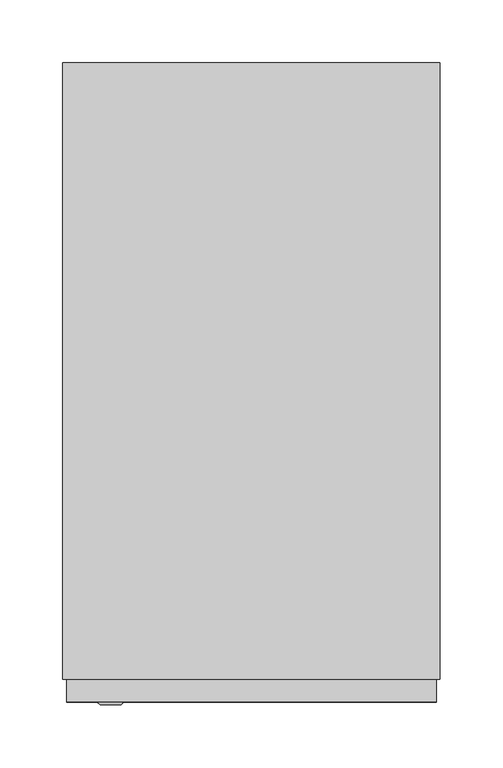
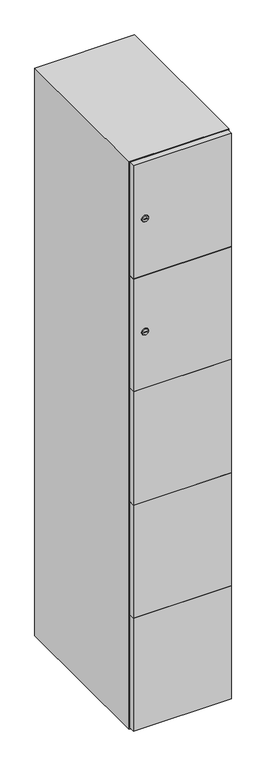
"""IFC4 building model written with IfcOpenShell, lengths in millimetres: furniture geometry."""

import ifcopenshell
import ifcopenshell.guid

model = None  # the IFC model being written
_history = None  # IfcOwnerHistory: only IFC2X3 demands one
_inside = {}  # id of a spatial element -> (the spatial element, [elements in it])
_under = {}  # id of a project, library or spatial element -> (it, [spatial elements below it])
_declared = {}  # id of a project -> (the project, [libraries it declares])
_typed = {}  # id of a type object -> (the type object, [elements of that type])
_made_of = {}  # id of a material, layer set ... -> (it, [elements and type objects made of it])


def new_model(schema):
    """Start an empty IFC model of exactly this schema.

    Asked for "IFC4X3", IfcOpenShell would pick the latest addendum, in which some entities
    have other attributes; the version numbers below select the first issue.
    IFC2X3 requires an IfcOwnerHistory on every rooted entity: one is made here for all.
    """
    global model, _history
    if schema == "IFC4X3":
        model = ifcopenshell.file(schema_version=(4, 3, 0, 0))
    else:
        model = ifcopenshell.file(schema=schema)
    _inside.clear()
    _under.clear()
    _declared.clear()
    _typed.clear()
    _made_of.clear()
    _history = None
    if model.schema == "IFC2X3":
        org = make("IfcOrganization", Name="unknown")
        user = make(
            "IfcPersonAndOrganization",
            ThePerson=make("IfcPerson", FamilyName="unknown"),
            TheOrganization=org,
        )
        app = make(
            "IfcApplication",
            ApplicationDeveloper=org,
            Version="unknown",
            ApplicationFullName="unknown",
            ApplicationIdentifier="unknown",
        )
        _history = make(
            "IfcOwnerHistory",
            OwningUser=user,
            OwningApplication=app,
            ChangeAction="ADDED",
            CreationDate=0,
        )
    return model


def make(cls, **values):
    """One entity of the class cls with the attributes given. An attribute that is None is left unset."""
    return model.create_entity(
        cls, **{name: value for name, value in values.items() if value is not None}
    )


def rooted(cls, **values):
    """An entity with a GlobalId (a new one), such as an element, a storey or a relation."""
    return make(cls, GlobalId=ifcopenshell.guid.new(), OwnerHistory=_history, **values)


def si_unit(unit_type, name, prefix=None):
    """IfcSIUnit, for example si_unit("LENGTHUNIT", "METRE", prefix="MILLI")."""
    return make("IfcSIUnit", UnitType=unit_type, Prefix=prefix, Name=name)


def assignment(units):
    """IfcUnitAssignment: the units of a project."""
    return None if units is None else make("IfcUnitAssignment", Units=units)


def point(xyz):
    """IfcCartesianPoint."""
    return None if xyz is None else make("IfcCartesianPoint", Coordinates=xyz)


def direction(xyz):
    """IfcDirection."""
    return None if xyz is None else make("IfcDirection", DirectionRatios=xyz)


def frame(location, z_axis=None, x_axis=None):
    """IfcAxis2Placement3D, a coordinate frame: its origin and axes. An axis left out is left unset."""
    return make(
        "IfcAxis2Placement3D",
        Location=point(location),
        Axis=direction(z_axis),
        RefDirection=direction(x_axis),
    )


def frame_2d(location, x_axis=None):
    """IfcAxis2Placement2D, a coordinate frame in the plane: its origin and x axis."""
    return make(
        "IfcAxis2Placement2D", Location=point(location), RefDirection=direction(x_axis)
    )


def origin():
    """The frame at (0, 0, 0) with its axes left unset."""
    return frame((0.0, 0.0, 0.0))


def place(relative_to, where):
    """IfcLocalPlacement: puts the frame where relative to a parent placement (None: the world)."""
    return make(
        "IfcLocalPlacement", PlacementRelTo=relative_to, RelativePlacement=where
    )


def context(
    kind, dimensions, precision=None, world=None, true_north=None, identifier=None
):
    """IfcGeometricRepresentationContext, for example the 3D "Model" context."""
    return make(
        "IfcGeometricRepresentationContext",
        ContextIdentifier=identifier,
        ContextType=kind,
        CoordinateSpaceDimension=dimensions,
        Precision=precision,
        WorldCoordinateSystem=world,
        TrueNorth=true_north,
    )


def project(units=None, contexts=None):
    """IfcProject with its units and contexts."""
    return rooted(
        "IfcProject",
        Name="project",
        RepresentationContexts=contexts,
        UnitsInContext=assignment(units),
    )


def spatial(cls, under=None, at=None, **own):
    """A site, building, storey or space (cls), placed at a placement, below another one or the project."""
    s = rooted(cls, ObjectPlacement=at, **own)
    if under is not None:
        _under.setdefault(under.id(), (under, []))[1].append(s)
    return s


def polyline(points):
    """IfcPolyline through the points."""
    return make("IfcPolyline", Points=[point(p) for p in points])


def circle_curve(where, radius):
    """IfcCircle in the frame where."""
    return make("IfcCircle", Position=where, Radius=radius)


def trimmed(basis, trim1, trim2, sense, master):
    """IfcTrimmedCurve: the piece of a basis curve between two trims."""
    return make(
        "IfcTrimmedCurve",
        BasisCurve=basis,
        Trim1=trim1,
        Trim2=trim2,
        SenseAgreement=sense,
        MasterRepresentation=master,
    )


def segment(curve, same_sense, transition):
    """IfcCompositeCurveSegment."""
    return make(
        "IfcCompositeCurveSegment",
        Transition=transition,
        SameSense=same_sense,
        ParentCurve=curve,
    )


def composite_curve(segments, self_intersect=None):
    """IfcCompositeCurve: segments joined end to end."""
    return make("IfcCompositeCurve", Segments=segments, SelfIntersect=self_intersect)


def outline(outer, holes=None, kind="AREA"):
    """IfcArbitraryClosedProfileDef: a profile drawn as a closed curve; with holes, ...WithVoids."""
    if holes is None:
        return make("IfcArbitraryClosedProfileDef", ProfileType=kind, OuterCurve=outer)
    return make(
        "IfcArbitraryProfileDefWithVoids",
        ProfileType=kind,
        OuterCurve=outer,
        InnerCurves=holes,
    )


def extrude(swept, where, along, depth):
    """IfcExtrudedAreaSolid: the profile swept, set in the frame where, extruded along a direction by depth."""
    return make(
        "IfcExtrudedAreaSolid",
        SweptArea=swept,
        Position=where,
        ExtrudedDirection=direction(along),
        Depth=depth,
    )


def faces_of(points, faces, orient=None, outer=None):
    """IfcFace entities. A face is a list of loops; a loop is a list of indices into points, from 0.

    orient and outer hold one flag for each loop. By default every Orientation is true, the
    first loop of a face is its IfcFaceOuterBound and the others are IfcFaceBound.
    """
    made = []
    for i, loops in enumerate(faces):
        bounds = []
        for j, loop in enumerate(loops):
            is_outer = j == 0 if outer is None else outer[i][j]
            bounds.append(
                make(
                    "IfcFaceOuterBound" if is_outer else "IfcFaceBound",
                    Bound=make("IfcPolyLoop", Polygon=[points[k] for k in loop]),
                    Orientation=True if orient is None else orient[i][j],
                )
            )
        made.append(make("IfcFace", Bounds=bounds))
    return made


def faceted_brep(points, faces, orient=None, outer=None, voids=None):
    """IfcFacetedBrep: a solid bounded by flat faces; with voids (closed shells), ...WithVoids."""
    shared = [point(p) for p in points]
    hull = make("IfcClosedShell", CfsFaces=faces_of(shared, faces, orient, outer))
    if voids is None:
        return make("IfcFacetedBrep", Outer=hull)
    return make(
        "IfcFacetedBrepWithVoids",
        Outer=hull,
        Voids=[
            make(cls, CfsFaces=faces_of(shared, fs, o, b)) for cls, fs, o, b in voids
        ],
    )


def shape(context_of_items, identifier, shape_type, items):
    """IfcShapeRepresentation: the items that make up one representation, for example the "Body"."""
    return make(
        "IfcShapeRepresentation",
        ContextOfItems=context_of_items,
        RepresentationIdentifier=identifier,
        RepresentationType=shape_type,
        Items=items,
    )


def source(mapping_origin, context_of_items, identifier, shape_type, items):
    """IfcRepresentationMap: a shape defined once, which mapped items show again and again."""
    return make(
        "IfcRepresentationMap",
        MappingOrigin=mapping_origin,
        MappedRepresentation=shape(context_of_items, identifier, shape_type, items),
    )


def transform(
    local_origin,
    x_axis=None,
    y_axis=None,
    z_axis=None,
    scale=None,
    scale2=None,
    scale3=None,
    uniform=True,
):
    """IfcCartesianTransformationOperator3D, or its non-uniform kind. x_axis, y_axis, z_axis: its Axis1, 2, 3."""
    if uniform:
        return make(
            "IfcCartesianTransformationOperator3D",
            Axis1=direction(x_axis),
            Axis2=direction(y_axis),
            LocalOrigin=point(local_origin),
            Scale=scale,
            Axis3=direction(z_axis),
        )
    return make(
        "IfcCartesianTransformationOperator3DnonUniform",
        Axis1=direction(x_axis),
        Axis2=direction(y_axis),
        LocalOrigin=point(local_origin),
        Scale=scale,
        Axis3=direction(z_axis),
        Scale2=scale2,
        Scale3=scale3,
    )


def mapped(mapping_source, mapping_target):
    """IfcMappedItem: shows the shape of a source again, moved by a transform."""
    return make(
        "IfcMappedItem", MappingSource=mapping_source, MappingTarget=mapping_target
    )


def made_of(thing, what):
    """Note that an element or type object is made of a material, layer set ...; save() writes the relation."""
    if what is not None:
        _made_of.setdefault(what.id(), (what, []))[1].append(thing)
    return thing


def element(
    cls,
    number,
    at=None,
    inside=None,
    cuts=None,
    type_object=None,
    material=None,
    context=None,
    identifier="Body",
    shape_type=None,
    held_by="IfcProductDefinitionShape",
    body=None,
    shapes=None,
    **own,
):
    """One element of the class cls, such as IfcWall. Its Tag is "e" and its number.

    at: its placement. inside: the storey or other place that contains it. cuts: it is an
    opening in that element (IfcRelVoidsElement). A single representation is given by context,
    identifier, shape_type and body (its items); several are given by shapes. held_by: the class
    of the entity that holds the representations. save() writes the other relations.
    """
    e = rooted(cls, Tag="e%d" % number, ObjectPlacement=at, **own)
    if body is not None:
        shapes = [shape(context, identifier, shape_type, body)]
    if shapes is not None:
        e.Representation = make(held_by, Representations=shapes)
    if inside is not None:
        _inside.setdefault(inside.id(), (inside, []))[1].append(e)
    if cuts is not None:
        rooted(
            "IfcRelVoidsElement", RelatingBuildingElement=cuts, RelatedOpeningElement=e
        )
    if type_object is not None:
        _typed.setdefault(type_object.id(), (type_object, []))[1].append(e)
    return made_of(e, material)


def aggregate(whole, parts):
    """IfcRelAggregates: a whole, such as a stair, and the parts it consists of."""
    return rooted("IfcRelAggregates", RelatingObject=whole, RelatedObjects=parts)


def save(model, path):
    """Write the relations noted so far, then the file.

    IfcRelAggregates (storeys below a building ...), IfcRelContainedInSpatialStructure (elements
    in a storey), IfcRelDefinesByType, IfcRelAssociatesMaterial and IfcRelDeclares: one each for
    every whole, place, type object, material and project.
    """
    for whole, parts in _under.values():
        aggregate(whole, parts)
    for where, things in _inside.values():
        rooted(
            "IfcRelContainedInSpatialStructure",
            RelatedElements=things,
            RelatingStructure=where,
        )
    for kind, things in _typed.values():
        rooted("IfcRelDefinesByType", RelatedObjects=things, RelatingType=kind)
    for what, things in _made_of.values():
        rooted("IfcRelAssociatesMaterial", RelatedObjects=things, RelatingMaterial=what)
    for by, libraries in _declared.values():
        rooted("IfcRelDeclares", RelatingContext=by, RelatedDefinitions=libraries)
    model.write(path)


def plane_surface(at):
    """IfcPlane: the flat surface through the origin of the frame at, square to its z axis."""
    return make("IfcPlane", Position=at)


def revolved_surface(curve, axis_point, axis_direction):
    """IfcSurfaceOfRevolution: the curve turned about the line through axis_point along axis_direction."""
    return make(
        "IfcSurfaceOfRevolution",
        SweptCurve=make("IfcArbitraryOpenProfileDef", ProfileType="CURVE", Curve=curve),
        AxisPosition=make("IfcAxis1Placement", Location=point(axis_point), Axis=direction(axis_direction)),
    )


def advanced_brep(points, edges, surfaces, faces):
    """IfcAdvancedBrep: a solid bounded by faces that lie on surfaces and meet in shared edges.

    An edge is (start, end): straight between two places in points (the first is 0);
    or (start, end, curve); or (start, end, curve, False) where it runs against its curve.
    A face is (place in surfaces, loops), or (place, loops, False) where it looks against
    its surface's normal. A loop lists edges by number (the first is 1), with a minus sign
    where the edge is run from its end to its start. The first loop is the outer one.
    """
    corners = [point(p) for p in points]
    vertices = [make("IfcVertexPoint", VertexGeometry=c) for c in corners]
    made = []
    for start, end, *more in edges:
        made.append(
            make(
                "IfcEdgeCurve",
                EdgeStart=vertices[start],
                EdgeEnd=vertices[end],
                EdgeGeometry=more[0] if more else make("IfcPolyline", Points=[corners[start], corners[end]]),
                SameSense=more[1] if len(more) > 1 else True,
            )
        )
    hull = []
    for where, loops, *sense in faces:
        bounds = []
        for j, loop in enumerate(loops):
            ring = [make("IfcOrientedEdge", EdgeElement=made[abs(k) - 1], Orientation=k > 0) for k in loop]
            bounds.append(
                make(
                    "IfcFaceOuterBound" if j == 0 else "IfcFaceBound",
                    Bound=make("IfcEdgeLoop", EdgeList=ring),
                    Orientation=True,
                )
            )
        hull.append(make("IfcAdvancedFace", Bounds=bounds, FaceSurface=surfaces[where], SameSense=sense[0] if sense else True))
    return make("IfcAdvancedBrep", Outer=make("IfcClosedShell", CfsFaces=hull))


def furniture_b8d2b23f(model_context):
    return source(origin(), model_context, "Body", "SolidModel", [
        advanced_brep(
        [(-153.5, -265.2, 1358.8), (-170.5, -265.2, 1358.8), (-167.0, -265.2, 1357.55), (-167.0, -265.2, 1360.05), (-157.0, -265.2, 1360.05), (-157.0, -265.2, 1357.55), (-151.5, -263.0, 1358.8), (-172.5, -263.0, 1358.8), (-167.0, -263.0, 1360.05), (-167.0, -263.0, 1357.55), (-157.0, -263.0, 1357.55), (-157.0, -263.0, 1360.05)],
        [
            (0, 1, circle_curve(frame((-162.0, -265.2, 1358.8), z_axis=(0.0, -1.0, 0.0), x_axis=(1.0, 0.0, 0.0)), 8.5)),
            (1, 0, circle_curve(frame((-162.0, -265.2, 1358.8), z_axis=(0.0, -1.0, 0.0), x_axis=(-1.0, 0.0, 0.0)), 8.5)),
            (2, 3),
            (3, 4),
            (4, 5),
            (5, 2),
            (6, 7, circle_curve(frame((-162.0, -263.0, 1358.8), z_axis=(0.0, 1.0, 0.0), x_axis=(-1.0, 0.0, 0.0)), 10.5)),
            (7, 6, circle_curve(frame((-162.0, -263.0, 1358.8), z_axis=(0.0, 1.0, 0.0), x_axis=(1.0, 0.0, 0.0)), 10.5)),
            (8, 9),
            (9, 10),
            (10, 11),
            (11, 8),
            (0, 6),
            (7, 1),
            (8, 3),
            (2, 9),
            (11, 4),
            (10, 5),
        ],
        [
            plane_surface(frame((-162.0, -265.2, 1358.8), z_axis=(0.0, -1.0, 0.0), x_axis=(0.0, 0.0, 1.0))),
            plane_surface(frame((-162.0, -263.0, 1358.8), z_axis=(0.0, 1.0, 0.0), x_axis=(0.0, 0.0, 1.0))),
            revolved_surface(polyline([(-153.5, -265.2, 1358.8), (-151.5, -263.0, 1358.8)]), (-162.0, -274.55, 1358.8), (0.0, 1.0, 0.0)),
            revolved_surface(polyline([(-170.5, -265.2, 1358.8), (-172.5, -263.0, 1358.8)]), (-162.0, -274.55, 1358.8), (0.0, 1.0, 0.0)),
            plane_surface(frame((-167.0, -263.0, 1357.55), z_axis=(1.0, 0.0, 0.0), x_axis=(0.0, -1.0, 0.0))),
            plane_surface(frame((-167.0, -263.0, 1360.05), z_axis=(0.0, 0.0, -1.0), x_axis=(0.0, -1.0, 0.0))),
            plane_surface(frame((-157.0, -263.0, 1360.05), z_axis=(-1.0, 0.0, 0.0), x_axis=(0.0, -1.0, 0.0))),
            plane_surface(frame((-157.0, -263.0, 1357.55), z_axis=(0.0, 0.0, 1.0), x_axis=(0.0, -1.0, 0.0))),
        ],
        [
            (0, [[1, 2], [3, 4, 5, 6]]),
            (1, [[7, 8], [9, 10, 11, 12]]),
            (2, [[-1, 13, -8, 14]]),
            (3, [[-2, -14, -7, -13]]),
            (4, [[15, -3, 16, -9]]),
            (5, [[-15, -12, 17, -4]]),
            (6, [[-17, -11, 18, -5]]),
            (7, [[-16, -6, -18, -10]]),
        ],
    ),
        extrude(outline(composite_curve([segment(trimmed(circle_curve(frame_2d((1717.6, -188.7989466)), 7.0), [point((1724.6, -188.7989466))], [point((1710.6, -188.7989466))], False, "CARTESIAN"), True, "CONTINUOUS"), segment(polyline([(1710.6, -188.7989466), (1710.6, -160.7989466)]), True, "CONTINUOUS"), segment(trimmed(circle_curve(frame_2d((1717.6, -160.7989466)), 7.0), [point((1710.6, -160.7989466))], [point((1724.6, -160.7989466))], False, "CARTESIAN"), True, "CONTINUOUS"), segment(polyline([(1724.6, -160.7989466), (1724.6, -188.7989466)]), True, "CONTINUOUS")], self_intersect=False)), frame((0.0, -245.0, 0.0), z_axis=(0.0, 1.0, 0.0), x_axis=(0.0, 0.0, 1.0)), (0.0, 0.0, 1.0), 2.0),
        advanced_brep(
        [(-153.5, -265.2, 1717.6), (-170.5, -265.2, 1717.6), (-167.0, -265.2, 1716.35), (-167.0, -265.2, 1718.85), (-157.0, -265.2, 1718.85), (-157.0, -265.2, 1716.35), (-151.5, -263.0, 1717.6), (-172.5, -263.0, 1717.6), (-167.0, -263.0, 1718.85), (-167.0, -263.0, 1716.35), (-157.0, -263.0, 1716.35), (-157.0, -263.0, 1718.85)],
        [
            (0, 1, circle_curve(frame((-162.0, -265.2, 1717.6), z_axis=(0.0, -1.0, 0.0), x_axis=(1.0, 0.0, 0.0)), 8.5)),
            (1, 0, circle_curve(frame((-162.0, -265.2, 1717.6), z_axis=(0.0, -1.0, 0.0), x_axis=(-1.0, 0.0, 0.0)), 8.5)),
            (2, 3),
            (3, 4),
            (4, 5),
            (5, 2),
            (6, 7, circle_curve(frame((-162.0, -263.0, 1717.6), z_axis=(0.0, 1.0, 0.0), x_axis=(-1.0, 0.0, 0.0)), 10.5)),
            (7, 6, circle_curve(frame((-162.0, -263.0, 1717.6), z_axis=(0.0, 1.0, 0.0), x_axis=(1.0, 0.0, 0.0)), 10.5)),
            (8, 9),
            (9, 10),
            (10, 11),
            (11, 8),
            (0, 6),
            (7, 1),
            (8, 3),
            (2, 9),
            (11, 4),
            (10, 5),
        ],
        [
            plane_surface(frame((-162.0, -265.2, 1717.6), z_axis=(0.0, -1.0, 0.0), x_axis=(0.0, 0.0, 1.0))),
            plane_surface(frame((-162.0, -263.0, 1717.6), z_axis=(0.0, 1.0, 0.0), x_axis=(0.0, 0.0, 1.0))),
            revolved_surface(polyline([(-153.5, -265.2, 1717.6), (-151.5, -263.0, 1717.6)]), (-162.0, -274.55, 1717.6), (0.0, 1.0, 0.0)),
            revolved_surface(polyline([(-170.5, -265.2, 1717.6), (-172.5, -263.0, 1717.6)]), (-162.0, -274.55, 1717.6), (0.0, 1.0, 0.0)),
            plane_surface(frame((-167.0, -263.0, 1716.35), z_axis=(1.0, 0.0, 0.0), x_axis=(0.0, -1.0, 0.0))),
            plane_surface(frame((-167.0, -263.0, 1718.85), z_axis=(0.0, 0.0, -1.0), x_axis=(0.0, -1.0, 0.0))),
            plane_surface(frame((-157.0, -263.0, 1718.85), z_axis=(-1.0, 0.0, 0.0), x_axis=(0.0, -1.0, 0.0))),
            plane_surface(frame((-157.0, -263.0, 1716.35), z_axis=(0.0, 0.0, 1.0), x_axis=(0.0, -1.0, 0.0))),
        ],
        [
            (0, [[1, 2], [3, 4, 5, 6]]),
            (1, [[7, 8], [9, 10, 11, 12]]),
            (2, [[-1, 13, -8, 14]]),
            (3, [[-2, -14, -7, -13]]),
            (4, [[15, -3, 16, -9]]),
            (5, [[-15, -12, 17, -4]]),
            (6, [[-17, -11, 18, -5]]),
            (7, [[-16, -6, -18, -10]]),
        ],
    ),
        extrude(outline(polyline([(97.0, -245.0), (97.0, -263.0), (-197.0, -263.0), (-197.0, -245.0), (97.0, -245.0)])), frame((0.0, 0.0, 820.1), z_axis=(0.0, 0.0, 1.0), x_axis=(1.0, 0.0, 0.0)), (0.0, 0.0, 1.0), 359.8),
        extrude(outline(polyline([(97.0, -245.0), (97.0, -263.0), (-197.0, -263.0), (-197.0, -245.0), (97.0, -245.0)])), frame((0.0, 0.0, 461.3), z_axis=(0.0, 0.0, 1.0), x_axis=(1.0, 0.0, 0.0)), (0.0, 0.0, 1.0), 359.8),
        extrude(outline(polyline([(97.0, -245.0), (97.0, -263.0), (-197.0, -263.0), (-197.0, -245.0), (97.0, -245.0)])), frame((0.0, 0.0, 1178.9), z_axis=(0.0, 0.0, 1.0), x_axis=(1.0, 0.0, 0.0)), (0.0, 0.0, 1.0), 358.8),
        extrude(outline(polyline([(-197.0, -263.0), (-197.0, -245.0), (97.0, -245.0), (97.0, -263.0), (-197.0, -263.0)])), frame((0.0, 0.0, 1538.7), z_axis=(0.0, 0.0, 1.0), x_axis=(1.0, 0.0, 0.0)), (0.0, 0.0, 1.0), 358.3),
        extrude(outline(polyline([(97.0, -245.0), (97.0, -263.0), (-197.0, -263.0), (-197.0, -245.0), (97.0, -245.0)])), frame((0.0, 0.0, 103.0), z_axis=(0.0, 0.0, 1.0), x_axis=(1.0, 0.0, 0.0)), (0.0, 0.0, 1.0), 359.3),
        extrude(outline(polyline([(82.0, 227.0), (82.0, -227.0), (-182.0, -227.0), (-182.0, 227.0), (82.0, 227.0)])), frame((0.0, 0.0, 1520.2), z_axis=(0.0, 0.0, 1.0), x_axis=(1.0, 0.0, 0.0)), (0.0, 0.0, 1.0), 18.0),
        extrude(outline(polyline([(82.0, 227.0), (82.0, -227.0), (-182.0, -227.0), (-182.0, 227.0), (82.0, 227.0)])), frame((0.0, 0.0, 1167.4), z_axis=(0.0, 0.0, 1.0), x_axis=(1.0, 0.0, 0.0)), (0.0, 0.0, 1.0), 18.0),
        extrude(outline(polyline([(82.0, 227.0), (82.0, -227.0), (-182.0, -227.0), (-182.0, 227.0), (82.0, 227.0)])), frame((0.0, 0.0, 814.6), z_axis=(0.0, 0.0, 1.0), x_axis=(1.0, 0.0, 0.0)), (0.0, 0.0, 1.0), 18.0),
        extrude(outline(polyline([(-182.0, 227.0), (82.0, 227.0), (82.0, -227.0), (-182.0, -227.0), (-182.0, 227.0)])), frame((0.0, 0.0, 461.8), z_axis=(0.0, 0.0, 1.0), x_axis=(1.0, 0.0, 0.0)), (0.0, 0.0, 1.0), 18.0),
        faceted_brep([(100.0, -245.0, 100.0), (100.0, -245.0, 1900.0), (-200.0, -245.0, 1900.0), (-200.0, -245.0, 100.0), (82.0, -245.0, 1882.0), (82.0, -245.0, 118.0), (-182.0, -245.0, 118.0), (-182.0, -245.0, 1882.0), (100.0, 245.0, 100.0), (-200.0, 245.0, 100.0), (100.0, 245.0, 1900.0), (-200.0, 245.0, 1900.0), (82.0, 227.0, 1882.0), (82.0, 227.0, 118.0), (-200.0, 245.0, 1882.0), (-182.0, 227.0, 1882.0), (-182.0, 227.0, 118.0)], [[[0, 1, 2, 3], [4, 5, 6, 7]], [[8, 0, 3, 9]], [[1, 0, 8, 10]], [[1, 10, 11, 2]], [[4, 12, 13, 5]], [[9, 3, 2, 11, 14]], [[10, 8, 9, 14, 11]], [[12, 15, 16, 13]], [[15, 7, 6, 16]], [[4, 7, 15, 12]], [[6, 5, 13, 16]]]),
    ])


if __name__ == "__main__":
    model = new_model("IFC4")
    model_context = context("Model", 3, world=origin())
    ifc_project = project(units=[si_unit("LENGTHUNIT", "METRE", prefix="MILLI")], contexts=[model_context])
    site = spatial("IfcSite", under=ifc_project)
    building = spatial("IfcBuilding", under=site)
    placement = place(None, origin())
    furniture_shape = furniture_b8d2b23f(model_context)
    element("IfcFurniture", 1, at=placement, inside=building, context=model_context, shape_type="MappedRepresentation", body=[
        mapped(furniture_shape, transform((0.0, 0.0, 0.0), x_axis=(1.0, 0.0, 0.0), y_axis=(0.0, 1.0, 0.0), z_axis=(0.0, 0.0, 1.0))),
    ])
    save(model, "model.ifc")
